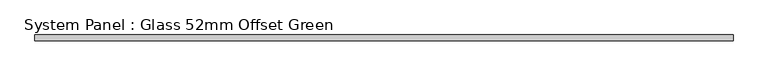
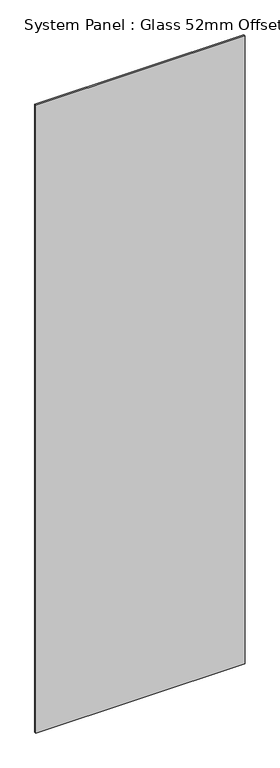
"""IFC4 building model written with IfcOpenShell, lengths in millimetres: plate geometry, System Panel : Glass 52mm Offset Green."""

from ifc_helpers import new_model, si_unit, origin, origin_with_axes, place, context, project, spatial, polyline, outline, extrude, source, transform, mapped, element, save


def system_panel_glass_52mm_offset_green_e214027a(model_context):
    return source(origin(), model_context, "Body", "SweptSolid", [
        extrude(outline(polyline([(610.0140638, -57.0), (-610.0140638, -57.0), (-610.0140638, -47.0), (610.0140638, -47.0), (610.0140638, -57.0)])), origin_with_axes(), (0.0, 0.0, 1.0), 3870.5),
    ])


if __name__ == "__main__":
    model = new_model("IFC4")
    model_context = context("Model", 3, world=origin())
    ifc_project = project(units=[si_unit("LENGTHUNIT", "METRE", prefix="MILLI")], contexts=[model_context])
    site = spatial("IfcSite", under=ifc_project)
    building = spatial("IfcBuilding", under=site)
    placement = place(None, origin())
    system_panel_glass_52mm_offset_green_shape = system_panel_glass_52mm_offset_green_e214027a(model_context)
    element("IfcPlate", 1, ObjectType="System Panel : Glass 52mm Offset Green", at=placement, inside=building, context=model_context, shape_type="MappedRepresentation", body=[
        mapped(system_panel_glass_52mm_offset_green_shape, transform((0.0, 0.0, 0.0), x_axis=(1.0, 0.0, 0.0), y_axis=(0.0, 1.0, 0.0), z_axis=(0.0, 0.0, 1.0))),
    ])
    save(model, "model.ifc")
